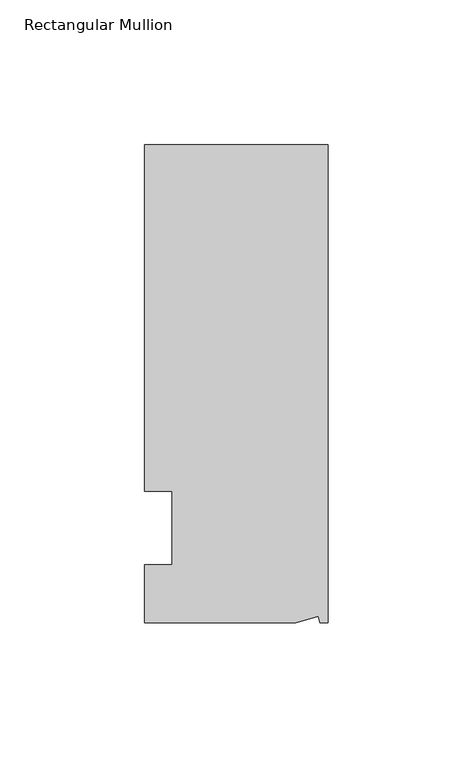
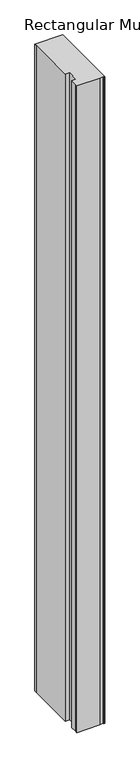
"""IFC4 building model written with IfcOpenShell, lengths in millimetres: member geometry, Rectangular Mullion."""

import ifcopenshell
import ifcopenshell.guid

model = None  # the IFC model being written
_history = None  # IfcOwnerHistory: only IFC2X3 demands one
_inside = {}  # id of a spatial element -> (the spatial element, [elements in it])
_under = {}  # id of a project, library or spatial element -> (it, [spatial elements below it])
_declared = {}  # id of a project -> (the project, [libraries it declares])
_typed = {}  # id of a type object -> (the type object, [elements of that type])
_made_of = {}  # id of a material, layer set ... -> (it, [elements and type objects made of it])


def new_model(schema):
    """Start an empty IFC model of exactly this schema.

    Asked for "IFC4X3", IfcOpenShell would pick the latest addendum, in which some entities
    have other attributes; the version numbers below select the first issue.
    IFC2X3 requires an IfcOwnerHistory on every rooted entity: one is made here for all.
    """
    global model, _history
    if schema == "IFC4X3":
        model = ifcopenshell.file(schema_version=(4, 3, 0, 0))
    else:
        model = ifcopenshell.file(schema=schema)
    _inside.clear()
    _under.clear()
    _declared.clear()
    _typed.clear()
    _made_of.clear()
    _history = None
    if model.schema == "IFC2X3":
        org = make("IfcOrganization", Name="unknown")
        user = make(
            "IfcPersonAndOrganization",
            ThePerson=make("IfcPerson", FamilyName="unknown"),
            TheOrganization=org,
        )
        app = make(
            "IfcApplication",
            ApplicationDeveloper=org,
            Version="unknown",
            ApplicationFullName="unknown",
            ApplicationIdentifier="unknown",
        )
        _history = make(
            "IfcOwnerHistory",
            OwningUser=user,
            OwningApplication=app,
            ChangeAction="ADDED",
            CreationDate=0,
        )
    return model


def make(cls, **values):
    """One entity of the class cls with the attributes given. An attribute that is None is left unset."""
    return model.create_entity(
        cls, **{name: value for name, value in values.items() if value is not None}
    )


def rooted(cls, **values):
    """An entity with a GlobalId (a new one), such as an element, a storey or a relation."""
    return make(cls, GlobalId=ifcopenshell.guid.new(), OwnerHistory=_history, **values)


def si_unit(unit_type, name, prefix=None):
    """IfcSIUnit, for example si_unit("LENGTHUNIT", "METRE", prefix="MILLI")."""
    return make("IfcSIUnit", UnitType=unit_type, Prefix=prefix, Name=name)


def assignment(units):
    """IfcUnitAssignment: the units of a project."""
    return None if units is None else make("IfcUnitAssignment", Units=units)


def point(xyz):
    """IfcCartesianPoint."""
    return None if xyz is None else make("IfcCartesianPoint", Coordinates=xyz)


def direction(xyz):
    """IfcDirection."""
    return None if xyz is None else make("IfcDirection", DirectionRatios=xyz)


def frame(location, z_axis=None, x_axis=None):
    """IfcAxis2Placement3D, a coordinate frame: its origin and axes. An axis left out is left unset."""
    return make(
        "IfcAxis2Placement3D",
        Location=point(location),
        Axis=direction(z_axis),
        RefDirection=direction(x_axis),
    )


def origin():
    """The frame at (0, 0, 0) with its axes left unset."""
    return frame((0.0, 0.0, 0.0))


def place(relative_to, where):
    """IfcLocalPlacement: puts the frame where relative to a parent placement (None: the world)."""
    return make(
        "IfcLocalPlacement", PlacementRelTo=relative_to, RelativePlacement=where
    )


def context(
    kind, dimensions, precision=None, world=None, true_north=None, identifier=None
):
    """IfcGeometricRepresentationContext, for example the 3D "Model" context."""
    return make(
        "IfcGeometricRepresentationContext",
        ContextIdentifier=identifier,
        ContextType=kind,
        CoordinateSpaceDimension=dimensions,
        Precision=precision,
        WorldCoordinateSystem=world,
        TrueNorth=true_north,
    )


def project(units=None, contexts=None):
    """IfcProject with its units and contexts."""
    return rooted(
        "IfcProject",
        Name="project",
        RepresentationContexts=contexts,
        UnitsInContext=assignment(units),
    )


def spatial(cls, under=None, at=None, **own):
    """A site, building, storey or space (cls), placed at a placement, below another one or the project."""
    s = rooted(cls, ObjectPlacement=at, **own)
    if under is not None:
        _under.setdefault(under.id(), (under, []))[1].append(s)
    return s


def polyline(points):
    """IfcPolyline through the points."""
    return make("IfcPolyline", Points=[point(p) for p in points])


def outline(outer, holes=None, kind="AREA"):
    """IfcArbitraryClosedProfileDef: a profile drawn as a closed curve; with holes, ...WithVoids."""
    if holes is None:
        return make("IfcArbitraryClosedProfileDef", ProfileType=kind, OuterCurve=outer)
    return make(
        "IfcArbitraryProfileDefWithVoids",
        ProfileType=kind,
        OuterCurve=outer,
        InnerCurves=holes,
    )


def extrude(swept, where, along, depth):
    """IfcExtrudedAreaSolid: the profile swept, set in the frame where, extruded along a direction by depth."""
    return make(
        "IfcExtrudedAreaSolid",
        SweptArea=swept,
        Position=where,
        ExtrudedDirection=direction(along),
        Depth=depth,
    )


def shape(context_of_items, identifier, shape_type, items):
    """IfcShapeRepresentation: the items that make up one representation, for example the "Body"."""
    return make(
        "IfcShapeRepresentation",
        ContextOfItems=context_of_items,
        RepresentationIdentifier=identifier,
        RepresentationType=shape_type,
        Items=items,
    )


def source(mapping_origin, context_of_items, identifier, shape_type, items):
    """IfcRepresentationMap: a shape defined once, which mapped items show again and again."""
    return make(
        "IfcRepresentationMap",
        MappingOrigin=mapping_origin,
        MappedRepresentation=shape(context_of_items, identifier, shape_type, items),
    )


def transform(
    local_origin,
    x_axis=None,
    y_axis=None,
    z_axis=None,
    scale=None,
    scale2=None,
    scale3=None,
    uniform=True,
):
    """IfcCartesianTransformationOperator3D, or its non-uniform kind. x_axis, y_axis, z_axis: its Axis1, 2, 3."""
    if uniform:
        return make(
            "IfcCartesianTransformationOperator3D",
            Axis1=direction(x_axis),
            Axis2=direction(y_axis),
            LocalOrigin=point(local_origin),
            Scale=scale,
            Axis3=direction(z_axis),
        )
    return make(
        "IfcCartesianTransformationOperator3DnonUniform",
        Axis1=direction(x_axis),
        Axis2=direction(y_axis),
        LocalOrigin=point(local_origin),
        Scale=scale,
        Axis3=direction(z_axis),
        Scale2=scale2,
        Scale3=scale3,
    )


def mapped(mapping_source, mapping_target):
    """IfcMappedItem: shows the shape of a source again, moved by a transform."""
    return make(
        "IfcMappedItem", MappingSource=mapping_source, MappingTarget=mapping_target
    )


def made_of(thing, what):
    """Note that an element or type object is made of a material, layer set ...; save() writes the relation."""
    if what is not None:
        _made_of.setdefault(what.id(), (what, []))[1].append(thing)
    return thing


def element(
    cls,
    number,
    at=None,
    inside=None,
    cuts=None,
    type_object=None,
    material=None,
    context=None,
    identifier="Body",
    shape_type=None,
    held_by="IfcProductDefinitionShape",
    body=None,
    shapes=None,
    **own,
):
    """One element of the class cls, such as IfcWall. Its Tag is "e" and its number.

    at: its placement. inside: the storey or other place that contains it. cuts: it is an
    opening in that element (IfcRelVoidsElement). A single representation is given by context,
    identifier, shape_type and body (its items); several are given by shapes. held_by: the class
    of the entity that holds the representations. save() writes the other relations.
    """
    e = rooted(cls, Tag="e%d" % number, ObjectPlacement=at, **own)
    if body is not None:
        shapes = [shape(context, identifier, shape_type, body)]
    if shapes is not None:
        e.Representation = make(held_by, Representations=shapes)
    if inside is not None:
        _inside.setdefault(inside.id(), (inside, []))[1].append(e)
    if cuts is not None:
        rooted(
            "IfcRelVoidsElement", RelatingBuildingElement=cuts, RelatedOpeningElement=e
        )
    if type_object is not None:
        _typed.setdefault(type_object.id(), (type_object, []))[1].append(e)
    return made_of(e, material)


def aggregate(whole, parts):
    """IfcRelAggregates: a whole, such as a stair, and the parts it consists of."""
    return rooted("IfcRelAggregates", RelatingObject=whole, RelatedObjects=parts)


def save(model, path):
    """Write the relations noted so far, then the file.

    IfcRelAggregates (storeys below a building ...), IfcRelContainedInSpatialStructure (elements
    in a storey), IfcRelDefinesByType, IfcRelAssociatesMaterial and IfcRelDeclares: one each for
    every whole, place, type object, material and project.
    """
    for whole, parts in _under.values():
        aggregate(whole, parts)
    for where, things in _inside.values():
        rooted(
            "IfcRelContainedInSpatialStructure",
            RelatedElements=things,
            RelatingStructure=where,
        )
    for kind, things in _typed.values():
        rooted("IfcRelDefinesByType", RelatedObjects=things, RelatingType=kind)
    for what, things in _made_of.values():
        rooted("IfcRelAssociatesMaterial", RelatedObjects=things, RelatingMaterial=what)
    for by, libraries in _declared.values():
        rooted("IfcRelDeclares", RelatingContext=by, RelatedDefinitions=libraries)
    model.write(path)


def rectangular_mullion_606429e3(model_context):
    return source(origin(), model_context, "Body", "SweptSolid", [
        extrude(outline(polyline([(0.0, 132.5561012), (0.0, -32.5438988), (-2.7616541, -32.5438988), (-3.3341886, -30.4622958), (-11.121847, -32.5438988), (-63.5, -32.5438988), (-63.5, -26.1938988), (-63.5, -12.5945801), (-53.975, -12.5945801), (-53.975, 12.8054199), (-63.5, 12.8054199), (-63.5, 126.2061012), (-63.5, 132.5561012), (0.0, 132.5561012)])), frame((0.0, 0.0, -1555.75), z_axis=(0.0, 0.0, 1.0), x_axis=(1.0, 0.0, 0.0)), (0.0, 0.0, 1.0), 1555.75),
    ])


if __name__ == "__main__":
    model = new_model("IFC4")
    model_context = context("Model", 3, world=origin())
    ifc_project = project(units=[si_unit("LENGTHUNIT", "METRE", prefix="MILLI")], contexts=[model_context])
    site = spatial("IfcSite", under=ifc_project)
    building = spatial("IfcBuilding", under=site)
    placement = place(None, origin())
    rectangular_mullion_shape = rectangular_mullion_606429e3(model_context)
    element("IfcMember", 1, ObjectType="Rectangular Mullion", at=placement, inside=building, context=model_context, shape_type="MappedRepresentation", body=[
        mapped(rectangular_mullion_shape, transform((0.0, 0.0, 0.0), x_axis=(1.0, 0.0, 0.0), y_axis=(0.0, 1.0, 0.0), z_axis=(0.0, 0.0, 1.0))),
    ])
    save(model, "model.ifc")
